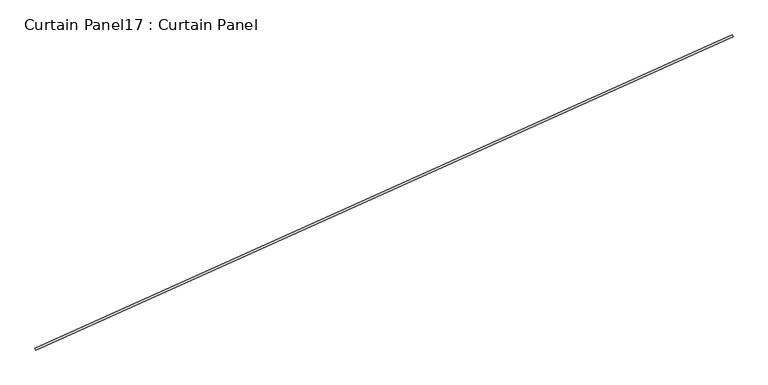
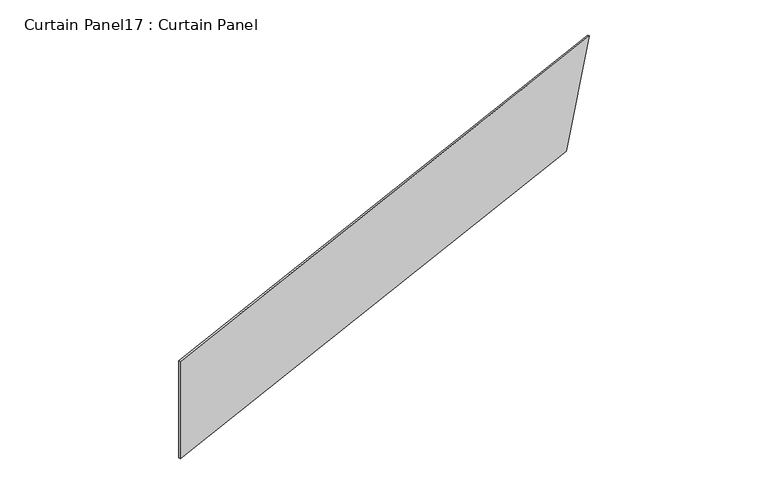
"""IFC4 building model written with IfcOpenShell, lengths in millimetres: plate geometry, Curtain Panel17 : Curtain Panel."""

import ifcopenshell
import ifcopenshell.guid

model = None  # the IFC model being written
_history = None  # IfcOwnerHistory: only IFC2X3 demands one
_inside = {}  # id of a spatial element -> (the spatial element, [elements in it])
_under = {}  # id of a project, library or spatial element -> (it, [spatial elements below it])
_declared = {}  # id of a project -> (the project, [libraries it declares])
_typed = {}  # id of a type object -> (the type object, [elements of that type])
_made_of = {}  # id of a material, layer set ... -> (it, [elements and type objects made of it])


def new_model(schema):
    """Start an empty IFC model of exactly this schema.

    Asked for "IFC4X3", IfcOpenShell would pick the latest addendum, in which some entities
    have other attributes; the version numbers below select the first issue.
    IFC2X3 requires an IfcOwnerHistory on every rooted entity: one is made here for all.
    """
    global model, _history
    if schema == "IFC4X3":
        model = ifcopenshell.file(schema_version=(4, 3, 0, 0))
    else:
        model = ifcopenshell.file(schema=schema)
    _inside.clear()
    _under.clear()
    _declared.clear()
    _typed.clear()
    _made_of.clear()
    _history = None
    if model.schema == "IFC2X3":
        org = make("IfcOrganization", Name="unknown")
        user = make(
            "IfcPersonAndOrganization",
            ThePerson=make("IfcPerson", FamilyName="unknown"),
            TheOrganization=org,
        )
        app = make(
            "IfcApplication",
            ApplicationDeveloper=org,
            Version="unknown",
            ApplicationFullName="unknown",
            ApplicationIdentifier="unknown",
        )
        _history = make(
            "IfcOwnerHistory",
            OwningUser=user,
            OwningApplication=app,
            ChangeAction="ADDED",
            CreationDate=0,
        )
    return model


def make(cls, **values):
    """One entity of the class cls with the attributes given. An attribute that is None is left unset."""
    return model.create_entity(
        cls, **{name: value for name, value in values.items() if value is not None}
    )


def rooted(cls, **values):
    """An entity with a GlobalId (a new one), such as an element, a storey or a relation."""
    return make(cls, GlobalId=ifcopenshell.guid.new(), OwnerHistory=_history, **values)


def si_unit(unit_type, name, prefix=None):
    """IfcSIUnit, for example si_unit("LENGTHUNIT", "METRE", prefix="MILLI")."""
    return make("IfcSIUnit", UnitType=unit_type, Prefix=prefix, Name=name)


def assignment(units):
    """IfcUnitAssignment: the units of a project."""
    return None if units is None else make("IfcUnitAssignment", Units=units)


def point(xyz):
    """IfcCartesianPoint."""
    return None if xyz is None else make("IfcCartesianPoint", Coordinates=xyz)


def direction(xyz):
    """IfcDirection."""
    return None if xyz is None else make("IfcDirection", DirectionRatios=xyz)


def frame(location, z_axis=None, x_axis=None):
    """IfcAxis2Placement3D, a coordinate frame: its origin and axes. An axis left out is left unset."""
    return make(
        "IfcAxis2Placement3D",
        Location=point(location),
        Axis=direction(z_axis),
        RefDirection=direction(x_axis),
    )


def origin():
    """The frame at (0, 0, 0) with its axes left unset."""
    return frame((0.0, 0.0, 0.0))


def place(relative_to, where):
    """IfcLocalPlacement: puts the frame where relative to a parent placement (None: the world)."""
    return make(
        "IfcLocalPlacement", PlacementRelTo=relative_to, RelativePlacement=where
    )


def context(
    kind, dimensions, precision=None, world=None, true_north=None, identifier=None
):
    """IfcGeometricRepresentationContext, for example the 3D "Model" context."""
    return make(
        "IfcGeometricRepresentationContext",
        ContextIdentifier=identifier,
        ContextType=kind,
        CoordinateSpaceDimension=dimensions,
        Precision=precision,
        WorldCoordinateSystem=world,
        TrueNorth=true_north,
    )


def project(units=None, contexts=None):
    """IfcProject with its units and contexts."""
    return rooted(
        "IfcProject",
        Name="project",
        RepresentationContexts=contexts,
        UnitsInContext=assignment(units),
    )


def spatial(cls, under=None, at=None, **own):
    """A site, building, storey or space (cls), placed at a placement, below another one or the project."""
    s = rooted(cls, ObjectPlacement=at, **own)
    if under is not None:
        _under.setdefault(under.id(), (under, []))[1].append(s)
    return s


def polyline(points):
    """IfcPolyline through the points."""
    return make("IfcPolyline", Points=[point(p) for p in points])


def outline(outer, holes=None, kind="AREA"):
    """IfcArbitraryClosedProfileDef: a profile drawn as a closed curve; with holes, ...WithVoids."""
    if holes is None:
        return make("IfcArbitraryClosedProfileDef", ProfileType=kind, OuterCurve=outer)
    return make(
        "IfcArbitraryProfileDefWithVoids",
        ProfileType=kind,
        OuterCurve=outer,
        InnerCurves=holes,
    )


def extrude(swept, where, along, depth):
    """IfcExtrudedAreaSolid: the profile swept, set in the frame where, extruded along a direction by depth."""
    return make(
        "IfcExtrudedAreaSolid",
        SweptArea=swept,
        Position=where,
        ExtrudedDirection=direction(along),
        Depth=depth,
    )


def shape(context_of_items, identifier, shape_type, items):
    """IfcShapeRepresentation: the items that make up one representation, for example the "Body"."""
    return make(
        "IfcShapeRepresentation",
        ContextOfItems=context_of_items,
        RepresentationIdentifier=identifier,
        RepresentationType=shape_type,
        Items=items,
    )


def source(mapping_origin, context_of_items, identifier, shape_type, items):
    """IfcRepresentationMap: a shape defined once, which mapped items show again and again."""
    return make(
        "IfcRepresentationMap",
        MappingOrigin=mapping_origin,
        MappedRepresentation=shape(context_of_items, identifier, shape_type, items),
    )


def transform(
    local_origin,
    x_axis=None,
    y_axis=None,
    z_axis=None,
    scale=None,
    scale2=None,
    scale3=None,
    uniform=True,
):
    """IfcCartesianTransformationOperator3D, or its non-uniform kind. x_axis, y_axis, z_axis: its Axis1, 2, 3."""
    if uniform:
        return make(
            "IfcCartesianTransformationOperator3D",
            Axis1=direction(x_axis),
            Axis2=direction(y_axis),
            LocalOrigin=point(local_origin),
            Scale=scale,
            Axis3=direction(z_axis),
        )
    return make(
        "IfcCartesianTransformationOperator3DnonUniform",
        Axis1=direction(x_axis),
        Axis2=direction(y_axis),
        LocalOrigin=point(local_origin),
        Scale=scale,
        Axis3=direction(z_axis),
        Scale2=scale2,
        Scale3=scale3,
    )


def mapped(mapping_source, mapping_target):
    """IfcMappedItem: shows the shape of a source again, moved by a transform."""
    return make(
        "IfcMappedItem", MappingSource=mapping_source, MappingTarget=mapping_target
    )


def made_of(thing, what):
    """Note that an element or type object is made of a material, layer set ...; save() writes the relation."""
    if what is not None:
        _made_of.setdefault(what.id(), (what, []))[1].append(thing)
    return thing


def element(
    cls,
    number,
    at=None,
    inside=None,
    cuts=None,
    type_object=None,
    material=None,
    context=None,
    identifier="Body",
    shape_type=None,
    held_by="IfcProductDefinitionShape",
    body=None,
    shapes=None,
    **own,
):
    """One element of the class cls, such as IfcWall. Its Tag is "e" and its number.

    at: its placement. inside: the storey or other place that contains it. cuts: it is an
    opening in that element (IfcRelVoidsElement). A single representation is given by context,
    identifier, shape_type and body (its items); several are given by shapes. held_by: the class
    of the entity that holds the representations. save() writes the other relations.
    """
    e = rooted(cls, Tag="e%d" % number, ObjectPlacement=at, **own)
    if body is not None:
        shapes = [shape(context, identifier, shape_type, body)]
    if shapes is not None:
        e.Representation = make(held_by, Representations=shapes)
    if inside is not None:
        _inside.setdefault(inside.id(), (inside, []))[1].append(e)
    if cuts is not None:
        rooted(
            "IfcRelVoidsElement", RelatingBuildingElement=cuts, RelatedOpeningElement=e
        )
    if type_object is not None:
        _typed.setdefault(type_object.id(), (type_object, []))[1].append(e)
    return made_of(e, material)


def aggregate(whole, parts):
    """IfcRelAggregates: a whole, such as a stair, and the parts it consists of."""
    return rooted("IfcRelAggregates", RelatingObject=whole, RelatedObjects=parts)


def save(model, path):
    """Write the relations noted so far, then the file.

    IfcRelAggregates (storeys below a building ...), IfcRelContainedInSpatialStructure (elements
    in a storey), IfcRelDefinesByType, IfcRelAssociatesMaterial and IfcRelDeclares: one each for
    every whole, place, type object, material and project.
    """
    for whole, parts in _under.values():
        aggregate(whole, parts)
    for where, things in _inside.values():
        rooted(
            "IfcRelContainedInSpatialStructure",
            RelatedElements=things,
            RelatingStructure=where,
        )
    for kind, things in _typed.values():
        rooted("IfcRelDefinesByType", RelatedObjects=things, RelatingType=kind)
    for what, things in _made_of.values():
        rooted("IfcRelAssociatesMaterial", RelatedObjects=things, RelatingMaterial=what)
    for by, libraries in _declared.values():
        rooted("IfcRelDeclares", RelatingContext=by, RelatedDefinitions=libraries)
    model.write(path)


def curtain_panel17_curtain_panel_d376a26f(model_context):
    return source(origin(), model_context, "Body", "SweptSolid", [
        extrude(outline(polyline([(0.0, 0.0), (0.0, -8497.8159308), (-1524.0, -9012.2786052), (-1524.0, 0.0), (0.0, 0.0)])), frame((36557.5770857, -12836.3437505, 23164.8), z_axis=(-0.41023197127835825, 0.9119812112873117, 0.0), x_axis=(0.0, 0.0, -1.0)), (0.0, 0.0, 1.0), 25.4),
    ])


if __name__ == "__main__":
    model = new_model("IFC4")
    model_context = context("Model", 3, world=origin())
    ifc_project = project(units=[si_unit("LENGTHUNIT", "METRE", prefix="MILLI")], contexts=[model_context])
    site = spatial("IfcSite", under=ifc_project)
    building = spatial("IfcBuilding", under=site)
    placement = place(None, origin())
    curtain_panel17_curtain_panel_shape = curtain_panel17_curtain_panel_d376a26f(model_context)
    element("IfcPlate", 1, ObjectType="Curtain Panel17 : Curtain Panel", at=placement, inside=building, context=model_context, shape_type="MappedRepresentation", body=[
        mapped(curtain_panel17_curtain_panel_shape, transform((0.0, 0.0, 0.0), x_axis=(1.0, 0.0, 0.0), y_axis=(0.0, 1.0, 0.0), z_axis=(0.0, 0.0, 1.0))),
    ])
    save(model, "model.ifc")
